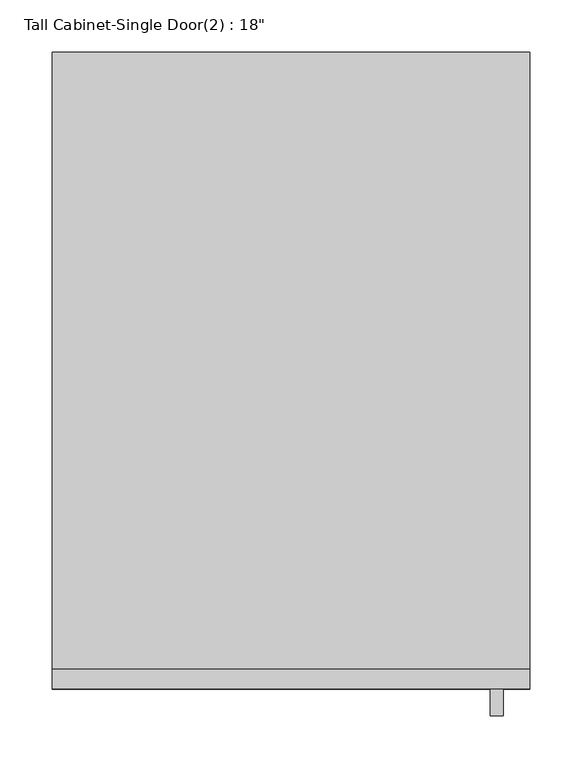
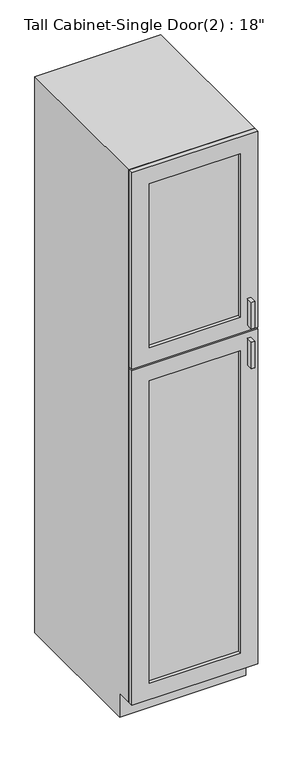
"""IFC4 building model written with IfcOpenShell, lengths in millimetres: furniture geometry."""

from ifc_helpers import new_model, si_unit, frame, origin, place, context, project, spatial, polyline, outline, extrude, faceted_brep, source, transform, mapped, element, save


def furniture_b9ad5600(model_context):
    return source(origin(), model_context, "Body", "SolidModel", [
        faceted_brep([(247.3377049, -590.55, 90.4875), (247.3377049, -590.55, 2133.6), (-209.8622951, -590.55, 2133.6), (-209.8622951, -590.55, 90.4875), (228.2877049, -590.55, 2114.55), (228.2877049, -590.55, 109.5375), (-190.8122951, -590.55, 109.5375), (-190.8122951, -590.55, 2114.55), (-209.8622951, 0.0, 2133.6), (247.3377049, 0.0, 2133.6), (247.3377049, 0.0, 0.0), (-209.8622951, 0.0, 0.0), (247.3377049, -533.4, 90.4875), (247.3377049, -533.4, 0.0), (-209.8622951, -533.4, 0.0), (-209.8622951, -533.4, 90.4875), (228.2877049, -19.05, 2114.55), (228.2877049, -19.05, 109.5375), (-190.8122951, -19.05, 109.5375), (-190.8122951, -19.05, 2114.55)], [[[0, 1, 2, 3], [4, 5, 6, 7]], [[8, 9, 10, 11]], [[1, 0, 12, 13, 10, 9]], [[2, 1, 9, 8]], [[3, 2, 8, 11, 14, 15]], [[0, 3, 15, 12]], [[5, 4, 16, 17]], [[6, 5, 17, 18]], [[7, 6, 18, 19]], [[4, 7, 19, 16]], [[10, 13, 14, 11]], [[14, 13, 12, 15]], [[17, 16, 19, 18]]]),
        extrude(outline(polyline([(221.9377049, -635.0), (209.4054733, -635.0), (209.4054733, -609.6), (221.9377049, -609.6), (221.9377049, -635.0)])), frame((0.0, 0.0, 1403.5480367), z_axis=(0.0, 0.0, 1.0), x_axis=(1.0, 0.0, 0.0)), (0.0, 0.0, 1.0), 101.6),
        extrude(outline(polyline([(221.9377049, -635.0), (209.4054733, -635.0), (209.4054733, -609.6), (221.9377049, -609.6), (221.9377049, -635.0)])), frame((0.0, 0.0, 1251.1480367), z_axis=(0.0, 0.0, 1.0), x_axis=(1.0, 0.0, 0.0)), (0.0, 0.0, 1.0), 101.6),
        extrude(outline(polyline([(183.8377049, -596.9), (-146.3622951, -596.9), (-146.3622951, -590.55), (183.8377049, -590.55), (183.8377049, -596.9)])), frame((0.0, 0.0, 1441.6480367), z_axis=(0.0, 0.0, 1.0), x_axis=(1.0, 0.0, 0.0)), (0.0, 0.0, 1.0), 628.4519633),
        extrude(outline(polyline([(183.8377049, -596.9), (-146.3622951, -596.9), (-146.3622951, -590.55), (183.8377049, -590.55), (183.8377049, -596.9)])), frame((0.0, 0.0, 153.9875), z_axis=(0.0, 0.0, 1.0), x_axis=(1.0, 0.0, 0.0)), (0.0, 0.0, 1.0), 1160.6605367),
        extrude(outline(polyline([(2133.6, 247.3377049), (2133.6, -209.8622951), (1381.3230367, -209.8622951), (1381.3230367, 247.3377049), (2133.6, 247.3377049)]), holes=[polyline([(2070.1, 183.8377049), (1441.6480367, 183.8377049), (1441.6480367, -146.3622951), (2070.1, -146.3622951), (2070.1, 183.8377049)])]), frame((0.0, -609.6, 0.0), z_axis=(0.0, 1.0, 0.0), x_axis=(0.0, 0.0, 1.0)), (0.0, 0.0, 1.0), 19.05),
        extrude(outline(polyline([(90.4875, 247.3377049), (1374.9730367, 247.3377049), (1374.9730367, -209.8622951), (90.4875, -209.8622951), (90.4875, 247.3377049)]), holes=[polyline([(1314.6480367, 183.8377049), (153.9875, 183.8377049), (153.9875, -146.3622951), (1314.6480367, -146.3622951), (1314.6480367, 183.8377049)])]), frame((0.0, -609.6, 0.0), z_axis=(0.0, 1.0, 0.0), x_axis=(0.0, 0.0, 1.0)), (0.0, 0.0, 1.0), 19.05),
    ])


if __name__ == "__main__":
    model = new_model("IFC4")
    model_context = context("Model", 3, world=origin())
    ifc_project = project(units=[si_unit("LENGTHUNIT", "METRE", prefix="MILLI")], contexts=[model_context])
    site = spatial("IfcSite", under=ifc_project)
    building = spatial("IfcBuilding", under=site)
    placement = place(None, origin())
    furniture_shape = furniture_b9ad5600(model_context)
    element("IfcFurniture", 1, ObjectType="Tall Cabinet-Single Door(2) : 18\"", at=placement, inside=building, context=model_context, shape_type="MappedRepresentation", body=[
        mapped(furniture_shape, transform((0.0, 0.0, 0.0), x_axis=(1.0, 0.0, 0.0), y_axis=(0.0, 1.0, 0.0), z_axis=(0.0, 0.0, 1.0))),
    ])
    save(model, "model.ifc")
